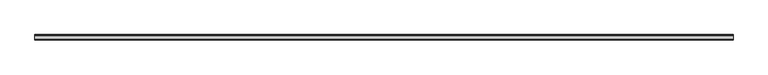
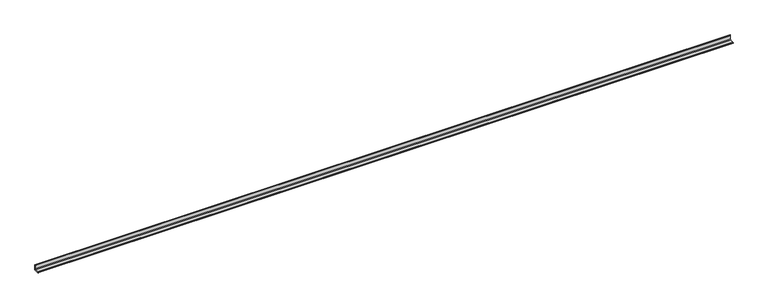
"""IFC4 building model written with IfcOpenShell, lengths in millimetres: beam geometry."""

from ifc_helpers import new_model, si_unit, point, frame, frame_2d, origin, place, context, project, spatial, polyline, circle_curve, trimmed, segment, composite_curve, outline, extrude, source, transform, mapped, element, save


def beam_6bb85022(model_context):
    return source(origin(), model_context, "Body", "SweptSolid", [
        extrude(outline(composite_curve([segment(polyline([(21.3, -21.3), (-53.7, -21.3), (-53.7, -18.3)]), True, "CONTINUOUS"), segment(trimmed(circle_curve(frame_2d((-48.7, -18.3)), 5.0), [point((-53.7, -18.3))], [point((-48.7, -13.3))], False, "CARTESIAN"), True, "CONTINUOUS"), segment(polyline([(-48.7, -13.3), (5.3, -13.3)]), True, "CONTINUOUS"), segment(trimmed(circle_curve(frame_2d((5.3, -5.3)), 8.0), [point((5.3, -13.3))], [point((13.3, -5.3))], True, "CARTESIAN"), True, "CONTINUOUS"), segment(polyline([(13.3, -5.3), (13.3, 48.7)]), True, "CONTINUOUS"), segment(trimmed(circle_curve(frame_2d((18.3, 48.7)), 5.0), [point((13.3, 48.7))], [point((18.3, 53.7))], False, "CARTESIAN"), True, "CONTINUOUS"), segment(polyline([(18.3, 53.7), (21.3, 53.7), (21.3, -21.3)]), True, "CONTINUOUS")], self_intersect=False)), frame((-4866.5, 0.0, 0.0), z_axis=(1.0, 0.0, 0.0), x_axis=(0.0, 1.0, 0.0)), (0.0, 0.0, 1.0), 9769.0),
    ])


if __name__ == "__main__":
    model = new_model("IFC4")
    model_context = context("Model", 3, world=origin())
    ifc_project = project(units=[si_unit("LENGTHUNIT", "METRE", prefix="MILLI")], contexts=[model_context])
    site = spatial("IfcSite", under=ifc_project)
    building = spatial("IfcBuilding", under=site)
    placement = place(None, origin())
    beam_shape = beam_6bb85022(model_context)
    element("IfcBeam", 1, at=placement, inside=building, context=model_context, shape_type="MappedRepresentation", body=[
        mapped(beam_shape, transform((0.0, 0.0, 0.0), x_axis=(1.0, 0.0, 0.0), y_axis=(0.0, 1.0, 0.0), z_axis=(0.0, 0.0, 1.0))),
    ])
    save(model, "model.ifc")
